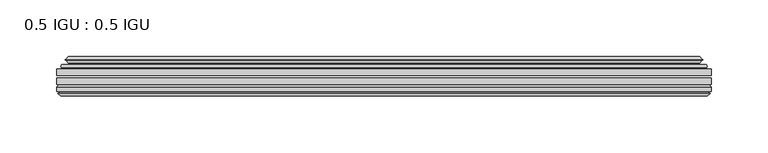
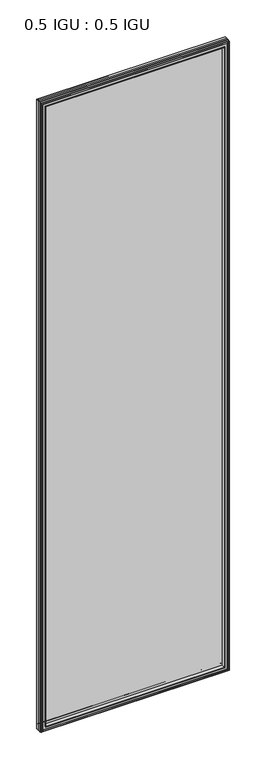
"""IFC4 building model written with IfcOpenShell, lengths in millimetres: plate geometry, 0.5 IGU : 0.5 IGU."""

from ifc_helpers import new_model, si_unit, frame, origin, place, context, project, spatial, polyline, ellipse_curve, outline, extrude, faceted_brep, source, transform, mapped, element, save
from ifc_brep_helpers import plane_surface, cylinder_surface, revolved_surface, advanced_brep


def plate_0_5_igu_0_5_igu_857b989f(model_context):
    return source(origin(), model_context, "Body", "SolidModel", [
        extrude(outline(polyline([(287.351675, -55.82285), (287.351675, -61.48705), (-287.3375, -61.48705), (-287.3375, -55.82285), (287.351675, -55.82285)])), frame((0.0, 0.0, -14.2875), z_axis=(0.0, 0.0, 1.0), x_axis=(1.0, 0.0, 0.0)), (0.0, 0.0, 1.0), 2025.6537979),
        extrude(outline(polyline([(-287.3375, -69.05625), (-287.3375, -63.39205), (287.351675, -63.39205), (287.351675, -69.05625), (-287.3375, -69.05625)])), frame((0.0, 0.0, -14.2875), z_axis=(0.0, 0.0, 1.0), x_axis=(1.0, 0.0, 0.0)), (0.0, 0.0, 1.0), 2025.6537979),
        advanced_brep(
        [(-283.2349626, -54.3724927, 2007.2599626), (-282.1904378, -51.60645, 2006.2154378), (-282.1904378, -51.60645, -9.1404378), (-283.2349626, -54.3724927, -10.1849626), (-281.598517, -55.82285, 2005.623517), (-281.598517, -55.82285, -8.548517), (-273.05, -45.63745, 1997.075), (-269.4672761, -55.82285, 1993.4922761), (-269.4672761, -55.82285, 3.5827239), (-273.05, -45.63745, 0.0), (-278.2359109, -46.8185491, 2002.2609109), (-278.2359109, -46.8185491, -5.1859109), (-277.4388893, -44.8183085, 2001.4638893), (-277.4388893, -44.8183085, -4.3888893), (-279.7226111, -47.135817, 2003.7476111), (-279.7226111, -47.135817, -6.6726111), (-279.7226111, -47.8489429, 2003.7476111), (-279.7226111, -47.8489429, -6.6726111), (-277.4388893, -50.1664515, 2001.4638893), (-277.4388893, -50.1664515, -4.3888893), (-278.2282501, -48.1854367, 2002.2532501), (-278.2282501, -48.1854367, -5.1782501), (-275.7044379, -48.027045, 1999.7294379), (-275.7044379, -48.027045, -2.6544379), (-274.6786217, -48.7147544, 1998.7036217), (-274.6786217, -48.7147544, -1.6286217), (-274.7970288, -50.1092231, 1998.8220288), (-274.7970288, -50.1092231, -1.7470288), (-275.3987748, -51.60645, 1999.4237748), (-275.3987748, -51.60645, -2.3487748), (282.1904378, -51.60645, -9.1404378), (283.2349626, -54.3724927, -10.1849626), (281.598517, -55.82285, -8.548517), (269.4672761, -55.82285, 3.5827239), (273.05, -45.63745, 0.0), (278.2359109, -46.8185491, -5.1859109), (277.4388893, -44.8183085, -4.3888893), (279.7226111, -47.135817, -6.6726111), (279.7226111, -47.8489429, -6.6726111), (277.4388893, -50.1664515, -4.3888893), (278.2282501, -48.1854367, -5.1782501), (275.7044379, -48.027045, -2.6544379), (274.6786217, -48.7147544, -1.6286217), (274.7970288, -50.1092231, -1.7470288), (275.3987748, -51.60645, -2.3487748), (282.1904378, -51.60645, 2006.2154378), (283.2349626, -54.3724927, 2007.2599626), (281.598517, -55.82285, 2005.623517), (269.4672761, -55.82285, 1993.4922761), (273.05, -45.63745, 1997.075), (278.2359109, -46.8185491, 2002.2609109), (277.4388893, -44.8183085, 2001.4638893), (279.7226111, -47.135817, 2003.7476111), (279.7226111, -47.8489429, 2003.7476111), (277.4388893, -50.1664515, 2001.4638893), (278.2282501, -48.1854367, 2002.2532501), (275.7044379, -48.027045, 1999.7294379), (274.6786217, -48.7147544, 1998.7036217), (274.7970288, -50.1092231, 1998.8220288), (275.3987748, -51.60645, 1999.4237748)],
        [
            (0, 1, ellipse_curve(frame((-282.1820703, -53.1898501, 2006.2070703), z_axis=(-0.7071067811865475, 0.0, -0.7071067811865475), x_axis=(-0.7071067811865474, 0.0, 0.7071067811865476)), 2.2392971, 1.5834222)),
            (1, 2),
            (2, 3, ellipse_curve(frame((-282.1820703, -53.1898501, -9.1320703), z_axis=(-0.7071067811865475, 0.0, 0.7071067811865475), x_axis=(0.7071067811865474, 0.0, 0.7071067811865476)), 2.2392971, 1.5834222)),
            (3, 0),
            (4, 0),
            (3, 5),
            (5, 4),
            (6, 7, ellipse_curve(frame((-240.770246, -40.0058297, 1964.795246), z_axis=(0.7071067811865475, 0.0, 0.7071067811865475), x_axis=(0.7071067811865474, 0.0, -0.7071067811865476)), 46.3399971, 32.7673262)),
            (7, 8),
            (8, 9, ellipse_curve(frame((-240.770246, -40.0058297, 32.279754), z_axis=(0.7071067811865475, 0.0, -0.7071067811865475), x_axis=(-0.7071067811865474, 0.0, -0.7071067811865476)), 46.3399971, 32.7673262)),
            (9, 6),
            (10, 6),
            (9, 11),
            (11, 10),
            (12, 10),
            (11, 13),
            (13, 12),
            (14, 12),
            (13, 15),
            (15, 14),
            (16, 14, ellipse_curve(frame((-279.3607729, -47.49238, 2003.3857729), z_axis=(-0.7071067811865475, 0.0, -0.7071067811865475), x_axis=(-0.7071067811865474, 0.0, 0.7071067811865476)), 0.7184205, 0.508)),
            (15, 17, ellipse_curve(frame((-279.3607729, -47.49238, -6.3107729), z_axis=(-0.7071067811865475, 0.0, 0.7071067811865475), x_axis=(0.7071067811865474, 0.0, 0.7071067811865476)), 0.7184205, 0.508)),
            (17, 16),
            (18, 16),
            (17, 19),
            (19, 18),
            (20, 18),
            (19, 21),
            (21, 20),
            (22, 20),
            (21, 23),
            (23, 22),
            (24, 22, ellipse_curve(frame((-275.6408, -49.04105, 1999.6658), z_axis=(0.7071067811865475, 0.0, 0.7071067811865475), x_axis=(0.7071067811865474, 0.0, -0.7071067811865476)), 1.436841, 1.016)),
            (23, 25, ellipse_curve(frame((-275.6408, -49.04105, -2.5908), z_axis=(0.7071067811865475, 0.0, -0.7071067811865475), x_axis=(-0.7071067811865474, 0.0, -0.7071067811865476)), 1.436841, 1.016)),
            (25, 24),
            (26, 24, ellipse_curve(frame((-277.0124, -49.21885, 2001.0374), z_axis=(0.7071067811865475, 0.0, 0.7071067811865475), x_axis=(0.7071067811865474, 0.0, -0.7071067811865476)), 3.3765763, 2.3876)),
            (25, 27, ellipse_curve(frame((-277.0124, -49.21885, -3.9624), z_axis=(0.7071067811865475, 0.0, -0.7071067811865475), x_axis=(-0.7071067811865474, 0.0, -0.7071067811865476)), 3.3765763, 2.3876)),
            (27, 26),
            (28, 26),
            (27, 29),
            (29, 28),
            (2, 30),
            (30, 31, ellipse_curve(frame((282.1820703, -53.1898501, -9.1320703), z_axis=(-0.7071067811865475, 0.0, -0.7071067811865475), x_axis=(-0.7071067811865476, 0.0, 0.7071067811865474)), 2.2392971, 1.5834222)),
            (31, 3),
            (31, 32),
            (32, 5),
            (8, 33),
            (33, 34, ellipse_curve(frame((240.770246, -40.0058297, 32.279754), z_axis=(0.7071067811865475, 0.0, 0.7071067811865475), x_axis=(0.7071067811865476, 0.0, -0.7071067811865474)), 46.3399971, 32.7673262)),
            (34, 9),
            (34, 35),
            (35, 11),
            (35, 36),
            (36, 13),
            (36, 37),
            (37, 15),
            (37, 38, ellipse_curve(frame((279.3607729, -47.49238, -6.3107729), z_axis=(-0.7071067811865475, 0.0, -0.7071067811865475), x_axis=(-0.7071067811865476, 0.0, 0.7071067811865474)), 0.7184205, 0.508)),
            (38, 17),
            (38, 39),
            (39, 19),
            (39, 40),
            (40, 21),
            (40, 41),
            (41, 23),
            (41, 42, ellipse_curve(frame((275.6408, -49.04105, -2.5908), z_axis=(0.7071067811865475, 0.0, 0.7071067811865475), x_axis=(0.7071067811865476, 0.0, -0.7071067811865474)), 1.436841, 1.016)),
            (42, 25),
            (42, 43, ellipse_curve(frame((277.0124, -49.21885, -3.9624), z_axis=(0.7071067811865475, 0.0, 0.7071067811865475), x_axis=(0.7071067811865476, 0.0, -0.7071067811865474)), 3.3765763, 2.3876)),
            (43, 27),
            (43, 44),
            (44, 29),
            (30, 45),
            (45, 46, ellipse_curve(frame((282.1820703, -53.1898501, 2006.2070703), z_axis=(0.7071067811865475, 0.0, -0.7071067811865475), x_axis=(-0.7071067811865474, 0.0, -0.7071067811865476)), 2.2392971, 1.5834222)),
            (46, 31),
            (46, 47),
            (47, 32),
            (33, 48),
            (48, 49, ellipse_curve(frame((240.770246, -40.0058297, 1964.795246), z_axis=(-0.7071067811865475, 0.0, 0.7071067811865475), x_axis=(0.7071067811865474, 0.0, 0.7071067811865476)), 46.3399971, 32.7673262)),
            (49, 34),
            (49, 50),
            (50, 35),
            (50, 51),
            (51, 36),
            (51, 52),
            (52, 37),
            (52, 53, ellipse_curve(frame((279.3607729, -47.49238, 2003.3857729), z_axis=(0.7071067811865475, 0.0, -0.7071067811865475), x_axis=(-0.7071067811865474, 0.0, -0.7071067811865476)), 0.7184205, 0.508)),
            (53, 38),
            (53, 54),
            (54, 39),
            (54, 55),
            (55, 40),
            (55, 56),
            (56, 41),
            (56, 57, ellipse_curve(frame((275.6408, -49.04105, 1999.6658), z_axis=(-0.7071067811865475, 0.0, 0.7071067811865475), x_axis=(0.7071067811865474, 0.0, 0.7071067811865476)), 1.436841, 1.016)),
            (57, 42),
            (57, 58, ellipse_curve(frame((277.0124, -49.21885, 2001.0374), z_axis=(-0.7071067811865475, 0.0, 0.7071067811865475), x_axis=(0.7071067811865474, 0.0, 0.7071067811865476)), 3.3765763, 2.3876)),
            (58, 43),
            (58, 59),
            (59, 44),
            (45, 1),
            (0, 46),
            (4, 47),
            (7, 48),
            (6, 49),
            (10, 50),
            (12, 51),
            (14, 52),
            (16, 53),
            (18, 54),
            (20, 55),
            (22, 56),
            (24, 57),
            (26, 58),
            (28, 59),
        ],
        [
            cylinder_surface(frame((-282.1820703, -53.1898501, 2028.825), z_axis=(0.0, 0.0, 1.0), x_axis=(-1.0, 0.0, 0.0)), 1.5834222),
            plane_surface(frame((-283.2349626, -54.3724927, 2007.2599626), z_axis=(-0.6632745773184306, -0.7483761320907135, 0.0), x_axis=(0.0, 0.0, -1.0))),
            revolved_surface(polyline([(-273.5375722, -40.0058297, -0.48757218957507575), (-273.5375722, -40.0058297, 1997.562572189575)]), (-240.770246, -40.0058297, 2028.825), (0.0, 0.0, -1.0)),
            plane_surface(frame((-273.05, -45.63745, 1997.075), z_axis=(-0.2220649844278743, 0.975031867525902, 0.0), x_axis=(0.0, 0.0, -1.0))),
            plane_surface(frame((-278.2359109, -46.8185491, 2002.2609109), z_axis=(0.928968268563027, -0.37015936568323066, 0.0), x_axis=(0.0, 0.0, -1.0))),
            plane_surface(frame((-277.4388893, -44.8183085, 2001.4638893), z_axis=(-0.7122798501733482, 0.7018955869907096, 0.0), x_axis=(0.0, 0.0, -1.0))),
            cylinder_surface(frame((-279.3607729, -47.49238, 2028.825), z_axis=(0.0, 0.0, 1.0), x_axis=(-1.0, 0.0, 0.0)), 0.508),
            plane_surface(frame((-279.7226111, -47.8489429, 2003.7476111), z_axis=(-0.7122798501732925, -0.701895586990766, 0.0), x_axis=(0.0, 0.0, -1.0))),
            plane_surface(frame((-277.4388893, -50.1664515, 2001.4638893), z_axis=(0.9289682685628707, 0.3701593656836228, 0.0), x_axis=(0.0, 0.0, -1.0))),
            plane_surface(frame((-278.2282501, -48.1854367, 2002.2532501), z_axis=(0.0626357011928498, -0.9980364567169279, 0.0), x_axis=(0.0, 0.0, -1.0))),
            revolved_surface(polyline([(-276.65680000000003, -49.04105, -3.6068000145867245), (-276.65680000000003, -49.04105, 2000.6818000145868)]), (-275.6408, -49.04105, 2028.825), (0.0, 0.0, -1.0)),
            revolved_surface(polyline([(-279.40000000000003, -49.21885, -6.3499999989237494), (-279.40000000000003, -49.21885, 2003.4249999989238)]), (-277.0124, -49.21885, 2028.825), (0.0, 0.0, -1.0)),
            plane_surface(frame((-274.7970288, -50.1092231, 1998.8220288), z_axis=(-0.9278652925428184, 0.3729155385532094, 0.0), x_axis=(0.0, 0.0, -1.0))),
            cylinder_surface(frame((-304.8, -53.1898501, -9.1320703), z_axis=(-1.0, 0.0, 0.0), x_axis=(0.0, 0.0, -1.0)), 1.5834222),
            plane_surface(frame((-283.2349626, -54.3724927, -10.1849626), z_axis=(0.0, -0.7483761320907157, -0.6632745773184283), x_axis=(1.0, 0.0, 0.0))),
            revolved_surface(polyline([(273.537572189575, -40.0058297, -0.48757220000000245), (-273.5375721895749, -40.0058297, -0.48757220000000245)]), (-304.8, -40.0058297, 32.279754), (1.0, 0.0, 0.0)),
            plane_surface(frame((-273.05, -45.63745, 0.0), z_axis=(0.0, 0.9750318675259013, -0.22206498442787745), x_axis=(1.0, 0.0, 0.0))),
            plane_surface(frame((-278.2359109, -46.8185491, -5.1859109), z_axis=(0.0, -0.37015936568322766, 0.9289682685630283), x_axis=(1.0, 0.0, 0.0))),
            plane_surface(frame((-277.4388893, -44.8183085, -4.3888893), z_axis=(0.0, 0.7018955869907073, -0.7122798501733504), x_axis=(1.0, 0.0, 0.0))),
            cylinder_surface(frame((-304.8, -47.49238, -6.3107729), z_axis=(-1.0, 0.0, 0.0), x_axis=(0.0, 0.0, -1.0)), 0.508),
            plane_surface(frame((-279.7226111, -47.8489429, -6.6726111), z_axis=(0.0, -0.7018955869907684, -0.7122798501732903), x_axis=(1.0, 0.0, 0.0))),
            plane_surface(frame((-277.4388893, -50.1664515, -4.3888893), z_axis=(0.0, 0.37015936568362584, 0.9289682685628696), x_axis=(1.0, 0.0, 0.0))),
            plane_surface(frame((-278.2282501, -48.1854367, -5.1782501), z_axis=(0.0, -0.9980364567169276, 0.06263570119285301), x_axis=(1.0, 0.0, 0.0))),
            revolved_surface(polyline([(276.65680001458696, -49.04105, -3.6068000000000002), (-276.65680001458685, -49.04105, -3.6068000000000002)]), (-304.8, -49.04105, -2.5908), (1.0, 0.0, 0.0)),
            revolved_surface(polyline([(279.39999999892376, -49.21885, -6.35), (-279.3999999989238, -49.21885, -6.35)]), (-304.8, -49.21885, -3.9624), (1.0, 0.0, 0.0)),
            plane_surface(frame((-274.7970288, -50.1092231, -1.7470288), z_axis=(0.0, 0.3729155385532064, -0.9278652925428196), x_axis=(1.0, 0.0, 0.0))),
            cylinder_surface(frame((282.1820703, -53.1898501, -31.75), z_axis=(0.0, 0.0, -1.0), x_axis=(1.0, 0.0, 0.0)), 1.5834222),
            plane_surface(frame((283.2349626, -54.3724927, -10.1849626), z_axis=(0.6632745773184259, -0.7483761320907178, 0.0), x_axis=(0.0, 0.0, 1.0))),
            revolved_surface(polyline([(273.5375722, -40.0058297, 1997.562572189575), (273.5375722, -40.0058297, -0.48757218957494075)]), (240.770246, -40.0058297, -31.75), (0.0, 0.0, 1.0)),
            plane_surface(frame((273.05, -45.63745, 0.0), z_axis=(0.22206498442788056, 0.9750318675259005, 0.0), x_axis=(0.0, 0.0, 1.0))),
            plane_surface(frame((278.2359109, -46.8185491, -5.1859109), z_axis=(-0.9289682685630295, -0.37015936568322466, 0.0), x_axis=(0.0, 0.0, 1.0))),
            plane_surface(frame((277.4388893, -44.8183085, -4.3888893), z_axis=(0.7122798501733526, 0.701895586990705, 0.0), x_axis=(0.0, 0.0, 1.0))),
            cylinder_surface(frame((279.3607729, -47.49238, -31.75), z_axis=(0.0, 0.0, -1.0), x_axis=(1.0, 0.0, 0.0)), 0.508),
            plane_surface(frame((279.7226111, -47.8489429, -6.6726111), z_axis=(0.712279850173288, -0.7018955869907706, 0.0), x_axis=(0.0, 0.0, 1.0))),
            plane_surface(frame((277.4388893, -50.1664515, -4.3888893), z_axis=(-0.9289682685628684, 0.37015936568362884, 0.0), x_axis=(0.0, 0.0, 1.0))),
            plane_surface(frame((278.2282501, -48.1854367, -5.1782501), z_axis=(-0.06263570119285623, -0.9980364567169274, 0.0), x_axis=(0.0, 0.0, 1.0))),
            revolved_surface(polyline([(276.65680000000003, -49.04105, 2000.6818000145868), (276.65680000000003, -49.04105, -3.606800014586863)]), (275.6408, -49.04105, -31.75), (0.0, 0.0, 1.0)),
            revolved_surface(polyline([(279.40000000000003, -49.21885, 2003.4249999989238), (279.40000000000003, -49.21885, -6.349999998923781)]), (277.0124, -49.21885, -31.75), (0.0, 0.0, 1.0)),
            plane_surface(frame((274.7970288, -50.1092231, -1.7470288), z_axis=(0.9278652925428208, 0.3729155385532034, 0.0), x_axis=(0.0, 0.0, 1.0))),
            cylinder_surface(frame((304.8, -53.1898501, 2006.2070703), z_axis=(1.0, 0.0, 0.0), x_axis=(0.0, 0.0, 1.0)), 1.5834222),
            plane_surface(frame((283.2349626, -54.3724927, 2007.2599626), z_axis=(0.0, -0.7483761320907157, 0.6632745773184283), x_axis=(-1.0, 0.0, 0.0))),
            plane_surface(frame((281.598517, -55.82285, 2005.623517), z_axis=(0.0, -1.0, 0.0), x_axis=(-1.0, 0.0, 0.0))),
            revolved_surface(polyline([(-273.537572189575, -40.0058297, 1997.5625722), (273.5375721895749, -40.0058297, 1997.5625722)]), (304.8, -40.0058297, 1964.795246), (-1.0, 0.0, 0.0)),
            plane_surface(frame((273.05, -45.63745, 1997.075), z_axis=(0.0, 0.9750318675259012, 0.22206498442787742), x_axis=(-1.0, 0.0, 0.0))),
            plane_surface(frame((278.2359109, -46.8185491, 2002.2609109), z_axis=(0.0, -0.37015936568322766, -0.9289682685630283), x_axis=(-1.0, 0.0, 0.0))),
            plane_surface(frame((277.4388893, -44.8183085, 2001.4638893), z_axis=(0.0, 0.7018955869907073, 0.7122798501733504), x_axis=(-1.0, 0.0, 0.0))),
            cylinder_surface(frame((304.8, -47.49238, 2003.3857729), z_axis=(1.0, 0.0, 0.0), x_axis=(0.0, 0.0, 1.0)), 0.508),
            plane_surface(frame((279.7226111, -47.8489429, 2003.7476111), z_axis=(0.0, -0.7018955869907684, 0.7122798501732903), x_axis=(-1.0, 0.0, 0.0))),
            plane_surface(frame((277.4388893, -50.1664515, 2001.4638893), z_axis=(0.0, 0.37015936568362584, -0.9289682685628696), x_axis=(-1.0, 0.0, 0.0))),
            plane_surface(frame((278.2282501, -48.1854367, 2002.2532501), z_axis=(0.0, -0.9980364567169276, -0.06263570119285301), x_axis=(-1.0, 0.0, 0.0))),
            revolved_surface(polyline([(-276.65680001458696, -49.04105, 2000.6818), (276.65680001458685, -49.04105, 2000.6818)]), (304.8, -49.04105, 1999.6658), (-1.0, 0.0, 0.0)),
            revolved_surface(polyline([(-279.39999999892376, -49.21885, 2003.425), (279.3999999989238, -49.21885, 2003.425)]), (304.8, -49.21885, 2001.0374), (-1.0, 0.0, 0.0)),
            plane_surface(frame((274.7970288, -50.1092231, 1998.8220288), z_axis=(0.0, 0.3729155385532064, 0.9278652925428196), x_axis=(-1.0, 0.0, 0.0))),
            plane_surface(frame((275.3987748, -51.60645, 1999.4237748), z_axis=(0.0, 1.0, 0.0), x_axis=(-1.0, 0.0, 0.0))),
        ],
        [
            (0, [[1, 2, 3, 4]]),
            (1, [[5, -4, 6, 7]]),
            (2, [[8, 9, 10, 11]]),
            (3, [[12, -11, 13, 14]]),
            (4, [[15, -14, 16, 17]]),
            (5, [[18, -17, 19, 20]]),
            (6, [[21, -20, 22, 23]]),
            (7, [[24, -23, 25, 26]]),
            (8, [[27, -26, 28, 29]]),
            (9, [[30, -29, 31, 32]]),
            (10, [[33, -32, 34, 35]]),
            (11, [[36, -35, 37, 38]]),
            (12, [[39, -38, 40, 41]]),
            (13, [[-3, 42, 43, 44]]),
            (14, [[-6, -44, 45, 46]]),
            (15, [[-10, 47, 48, 49]]),
            (16, [[-13, -49, 50, 51]]),
            (17, [[-16, -51, 52, 53]]),
            (18, [[-19, -53, 54, 55]]),
            (19, [[-22, -55, 56, 57]]),
            (20, [[-25, -57, 58, 59]]),
            (21, [[-28, -59, 60, 61]]),
            (22, [[-31, -61, 62, 63]]),
            (23, [[-34, -63, 64, 65]]),
            (24, [[-37, -65, 66, 67]]),
            (25, [[-40, -67, 68, 69]]),
            (26, [[-43, 70, 71, 72]]),
            (27, [[-45, -72, 73, 74]]),
            (28, [[-48, 75, 76, 77]]),
            (29, [[-50, -77, 78, 79]]),
            (30, [[-52, -79, 80, 81]]),
            (31, [[-54, -81, 82, 83]]),
            (32, [[-56, -83, 84, 85]]),
            (33, [[-58, -85, 86, 87]]),
            (34, [[-60, -87, 88, 89]]),
            (35, [[-62, -89, 90, 91]]),
            (36, [[-64, -91, 92, 93]]),
            (37, [[-66, -93, 94, 95]]),
            (38, [[-68, -95, 96, 97]]),
            (39, [[-71, 98, -1, 99]]),
            (40, [[-73, -99, -5, 100]]),
            (41, [[-46, -74, -100, -7], [101, -75, -47, -9]]),
            (42, [[-76, -101, -8, 102]]),
            (43, [[-78, -102, -12, 103]]),
            (44, [[-80, -103, -15, 104]]),
            (45, [[-82, -104, -18, 105]]),
            (46, [[-84, -105, -21, 106]]),
            (47, [[-86, -106, -24, 107]]),
            (48, [[-88, -107, -27, 108]]),
            (49, [[-90, -108, -30, 109]]),
            (50, [[-92, -109, -33, 110]]),
            (51, [[-94, -110, -36, 111]]),
            (52, [[-96, -111, -39, 112]]),
            (53, [[-98, -70, -42, -2], [-69, -97, -112, -41]]),
        ],
    ),
        faceted_brep([(-269.1957827, -69.05625, 1993.2207827), (-271.7620798, -77.94625, 1995.7870798), (-271.7620798, -77.94625, 1.2879202), (-269.1957827, -69.05625, 3.8542173), (-287.3502, -71.2633102, 2011.3752), (-285.1431398, -69.05625, 2009.1681398), (-285.1431398, -69.05625, -12.0931398), (-287.3502, -71.2633102, -14.3002), (-287.3502, -75.40625, 2011.3752), (-287.3502, -75.40625, -14.3002), (-284.9311775, -76.58989, 2008.9561775), (-285.8008, -75.40625, 2009.8258), (-285.8008, -75.40625, -12.7508), (-284.9311775, -76.58989, -11.8811775), (-284.734, -77.8875884, 2008.759), (-284.734, -77.8875884, -11.684), (-285.70966, -77.3578917, 2009.73466), (-285.70966, -77.3578917, -12.65966), (-284.1752, -79.1749663, 2008.2002), (-286.5023305, -77.3578917, 2010.5273305), (-286.5023305, -77.3578917, -13.4523305), (-284.1752, -79.1749663, -11.1252), (-281.8480695, -77.3578917, 2005.8730695), (-281.8480695, -77.3578917, -8.7980695), (-283.6164, -77.8875884, 2007.6414), (-282.64074, -77.3578917, 2006.66574), (-282.64074, -77.3578917, -9.59074), (-283.6164, -77.8875884, -10.5664), (-283.4192225, -76.58989, 2007.4442225), (-283.4192225, -76.58989, -10.3692225), (-282.5496, -75.40625, 2006.5746), (-282.5496, -75.40625, -9.4996), (-273.4013667, -77.94625, 1997.4263667), (-272.8722, -75.40625, 1996.8972), (-272.8722, -75.40625, 0.1778), (-273.4013667, -77.94625, -0.3513667), (271.7620798, -77.94625, 1.2879202), (269.1957827, -69.05625, 3.8542173), (285.1431398, -69.05625, -12.0931398), (287.3502, -71.2633102, -14.3002), (287.3502, -75.40625, -14.3002), (285.8008, -75.40625, -12.7508), (284.9311775, -76.58989, -11.8811775), (284.734, -77.8875884, -11.684), (285.70966, -77.3578917, -12.65966), (286.5023305, -77.3578917, -13.4523305), (284.1752, -79.1749663, -11.1252), (281.8480695, -77.3578917, -8.7980695), (282.64074, -77.3578917, -9.59074), (283.6164, -77.8875884, -10.5664), (283.4192225, -76.58989, -10.3692225), (282.5496, -75.40625, -9.4996), (272.8722, -75.40625, 0.1778), (273.4013667, -77.94625, -0.3513667), (271.7620798, -77.94625, 1995.7870798), (269.1957827, -69.05625, 1993.2207827), (285.1431398, -69.05625, 2009.1681398), (287.3502, -71.2633102, 2011.3752), (287.3502, -75.40625, 2011.3752), (285.8008, -75.40625, 2009.8258), (284.9311775, -76.58989, 2008.9561775), (284.734, -77.8875884, 2008.759), (285.70966, -77.3578917, 2009.73466), (286.5023305, -77.3578917, 2010.5273305), (284.1752, -79.1749663, 2008.2002), (281.8480695, -77.3578917, 2005.8730695), (282.64074, -77.3578917, 2006.66574), (283.6164, -77.8875884, 2007.6414), (283.4192225, -76.58989, 2007.4442225), (282.5496, -75.40625, 2006.5746), (272.8722, -75.40625, 1996.8972), (273.4013667, -77.94625, 1997.4263667)], [[[0, 1, 2, 3]], [[4, 5, 6, 7]], [[8, 4, 7, 9]], [[10, 11, 12, 13]], [[14, 10, 13, 15]], [[16, 14, 15, 17]], [[18, 19, 20, 21]], [[22, 18, 21, 23]], [[24, 25, 26, 27]], [[28, 24, 27, 29]], [[30, 28, 29, 31]], [[32, 33, 34, 35]], [[3, 2, 36, 37]], [[7, 6, 38, 39]], [[9, 7, 39, 40]], [[13, 12, 41, 42]], [[15, 13, 42, 43]], [[17, 15, 43, 44]], [[21, 20, 45, 46]], [[23, 21, 46, 47]], [[27, 26, 48, 49]], [[29, 27, 49, 50]], [[31, 29, 50, 51]], [[35, 34, 52, 53]], [[37, 36, 54, 55]], [[39, 38, 56, 57]], [[40, 39, 57, 58]], [[42, 41, 59, 60]], [[43, 42, 60, 61]], [[44, 43, 61, 62]], [[46, 45, 63, 64]], [[47, 46, 64, 65]], [[49, 48, 66, 67]], [[50, 49, 67, 68]], [[51, 50, 68, 69]], [[53, 52, 70, 71]], [[55, 54, 1, 0]], [[5, 56, 38, 6], [3, 37, 55, 0]], [[57, 56, 5, 4]], [[58, 57, 4, 8]], [[9, 40, 58, 8], [11, 59, 41, 12]], [[60, 59, 11, 10]], [[61, 60, 10, 14]], [[62, 61, 14, 16]], [[19, 63, 45, 20], [17, 44, 62, 16]], [[64, 63, 19, 18]], [[65, 64, 18, 22]], [[25, 66, 48, 26], [23, 47, 65, 22]], [[67, 66, 25, 24]], [[68, 67, 24, 28]], [[69, 68, 28, 30]], [[31, 51, 69, 30], [33, 70, 52, 34]], [[71, 70, 33, 32]], [[35, 53, 71, 32], [1, 54, 36, 2]]]),
    ])


if __name__ == "__main__":
    model = new_model("IFC4")
    model_context = context("Model", 3, world=origin())
    ifc_project = project(units=[si_unit("LENGTHUNIT", "METRE", prefix="MILLI")], contexts=[model_context])
    site = spatial("IfcSite", under=ifc_project)
    building = spatial("IfcBuilding", under=site)
    placement = place(None, origin())
    plate_0_5_igu_0_5_igu_shape = plate_0_5_igu_0_5_igu_857b989f(model_context)
    element("IfcPlate", 1, ObjectType="0.5 IGU : 0.5 IGU", at=placement, inside=building, context=model_context, shape_type="MappedRepresentation", body=[
        mapped(plate_0_5_igu_0_5_igu_shape, transform((0.0, 0.0, 0.0), x_axis=(1.0, 0.0, 0.0), y_axis=(0.0, 1.0, 0.0), z_axis=(0.0, 0.0, 1.0))),
    ])
    save(model, "model.ifc")
